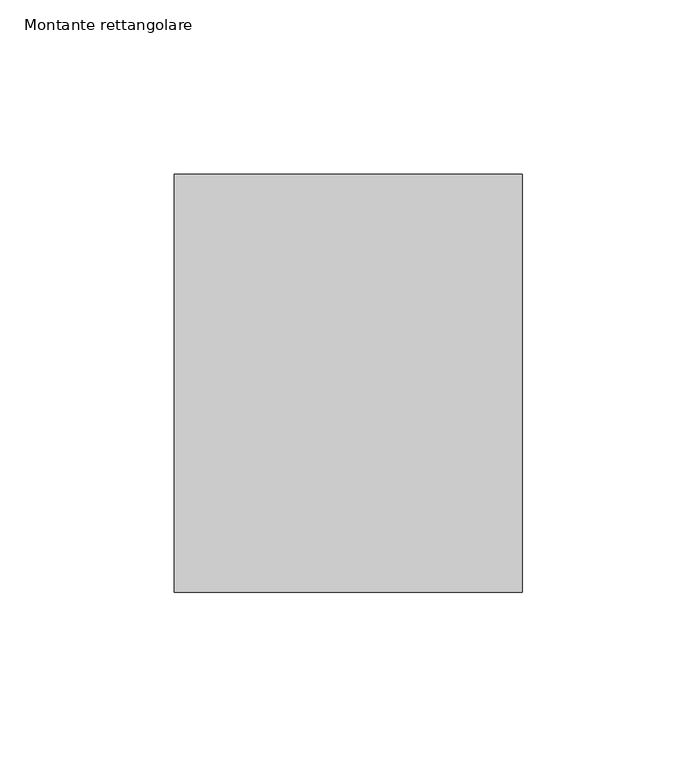
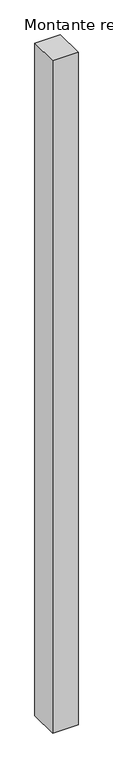
"""IFC4 building model written with IfcOpenShell, lengths in millimetres: member geometry, Montante rettangolare."""

from ifc_helpers import new_model, si_unit, frame, origin, place, context, project, spatial, polyline, outline, extrude, source, transform, mapped, element, save


def montante_rettangolare_20fd25f5(model_context):
    return source(origin(), model_context, "Body", "SweptSolid", [
        extrude(outline(polyline([(50.0, 60.0), (50.0, -60.0), (-50.0, -60.0), (-50.0, 60.0), (50.0, 60.0)])), frame((0.0, 0.0, -2785.9218503), z_axis=(0.0, 0.0, 1.0), x_axis=(1.0, 0.0, 0.0)), (0.0, 0.0, 1.0), 2785.9218503),
    ])


if __name__ == "__main__":
    model = new_model("IFC4")
    model_context = context("Model", 3, world=origin())
    ifc_project = project(units=[si_unit("LENGTHUNIT", "METRE", prefix="MILLI")], contexts=[model_context])
    site = spatial("IfcSite", under=ifc_project)
    building = spatial("IfcBuilding", under=site)
    placement = place(None, origin())
    montante_rettangolare_shape = montante_rettangolare_20fd25f5(model_context)
    element("IfcMember", 1, ObjectType="Montante rettangolare", at=placement, inside=building, context=model_context, shape_type="MappedRepresentation", body=[
        mapped(montante_rettangolare_shape, transform((0.0, 0.0, 0.0), x_axis=(1.0, 0.0, 0.0), y_axis=(0.0, 1.0, 0.0), z_axis=(0.0, 0.0, 1.0))),
    ])
    save(model, "model.ifc")
